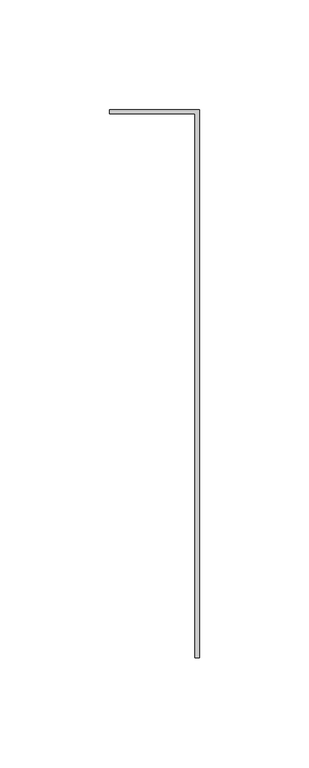
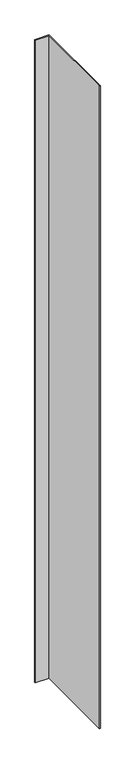
"""IFC4 building model written with IfcOpenShell, lengths in millimetres: member geometry."""

from ifc_helpers import new_model, si_unit, frame, origin, place, context, project, spatial, polyline, outline, extrude, source, transform, mapped, element, save


def member_21fa9c04(model_context):
    return source(origin(), model_context, "Body", "SweptSolid", [
        extrude(outline(polyline([(0.0, 0.0), (-2.0108815, 0.0), (-2.0108815, 248.0), (-41.0108815, 248.0), (-41.0108815, 250.0), (0.0, 250.0), (0.0, 0.0)])), frame((0.0, 0.0, -1917.9891185), z_axis=(0.0, 0.0, 1.0), x_axis=(1.0, 0.0, 0.0)), (0.0, 0.0, 1.0), 1917.9891185),
    ])


if __name__ == "__main__":
    model = new_model("IFC4")
    model_context = context("Model", 3, world=origin())
    ifc_project = project(units=[si_unit("LENGTHUNIT", "METRE", prefix="MILLI")], contexts=[model_context])
    site = spatial("IfcSite", under=ifc_project)
    building = spatial("IfcBuilding", under=site)
    placement = place(None, origin())
    member_shape = member_21fa9c04(model_context)
    element("IfcMember", 1, at=placement, inside=building, context=model_context, shape_type="MappedRepresentation", body=[
        mapped(member_shape, transform((0.0, 0.0, 0.0), x_axis=(1.0, 0.0, 0.0), y_axis=(0.0, 1.0, 0.0), z_axis=(0.0, 0.0, 1.0))),
    ])
    save(model, "model.ifc")
